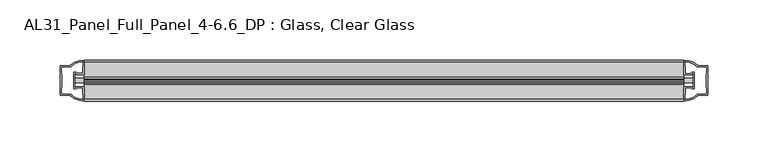
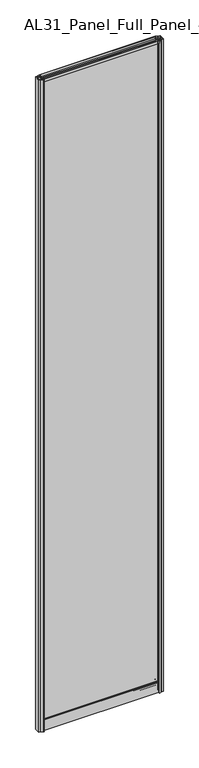
"""IFC4 building model written with IfcOpenShell, lengths in millimetres: plate geometry, AL31_Panel_Full_Panel_4-6.6_DP : Glass, Clear Glass."""

from ifc_helpers import new_model, si_unit, point, frame, frame_2d, origin, origin_with_axes, place, context, project, spatial, polyline, circle_curve, trimmed, segment, composite_curve, outline, extrude, source, transform, mapped, element, save


def al31_panel_full_panel_4_6_6_dp_glass_clear_glass_b260c113(model_context):
    return source(origin(), model_context, "Body", "SweptSolid", [
        extrude(outline(composite_curve([segment(trimmed(circle_curve(frame_2d((-19.957, 2961.8572926)), 3.0), [point((-18.457, 2964.4553688))], [point((-17.4851586, 2960.1572926))], False, "CARTESIAN"), True, "CONTINUOUS"), segment(polyline([(-17.4851586, 2960.1572926), (-4.157, 2960.1572926), (-4.157, 2969.5572926), (-2.857, 2969.5572926), (-2.857, 2959.0572926), (-13.1545312, 2959.0572926), (-13.1545312, 2958.2572926), (-13.6601218, 2956.3357964), (-13.6601218, 2951.6572926), (-14.857, 2951.6572926), (-14.857, 2956.9912672), (-14.357, 2957.8572926), (-14.357, 2959.0572926), (-25.357, 2959.0572926), (-25.357, 2957.8572926), (-24.857, 2956.9912672), (-24.857, 2951.6572926), (-26.0538782, 2951.6572926), (-26.0538782, 2956.3357964), (-26.5594688, 2958.2572926), (-26.5594688, 2959.0572926), (-36.857, 2959.0572926), (-36.857, 2969.5572926), (-35.557, 2969.5572926), (-35.557, 2960.1572926), (-22.4288414, 2960.1572926)]), True, "CONTINUOUS"), segment(trimmed(circle_curve(frame_2d((-19.957, 2961.8572926)), 3.0), [point((-22.4288414, 2960.1572926))], [point((-21.457, 2964.4553688))], False, "CARTESIAN"), True, "CONTINUOUS"), segment(polyline([(-21.457, 2964.4553688), (-20.907, 2963.5027409)]), True, "CONTINUOUS"), segment(trimmed(circle_curve(frame_2d((-19.957, 2961.8572926)), 1.9), [point((-20.907, 2963.5027409))], [point((-19.007, 2963.5027409))], True, "CARTESIAN"), True, "CONTINUOUS"), segment(polyline([(-19.007, 2963.5027409), (-18.457, 2964.4553688)]), True, "CONTINUOUS")], self_intersect=False)), frame((-249.2904517, 0.0, 0.0), z_axis=(1.0, 0.0, 0.0), x_axis=(0.0, 1.0, 0.0)), (0.0, 0.0, 1.0), 498.5809034),
        extrude(outline(composite_curve([segment(polyline([(-11.457, 35.8), (-28.257, 35.8)]), True, "CONTINUOUS"), segment(trimmed(circle_curve(frame_2d((-28.257, 34.8)), 1.0), [point((-28.257, 35.8))], [point((-29.257, 34.8))], True, "CARTESIAN"), True, "CONTINUOUS"), segment(polyline([(-29.257, 34.8), (-29.257, 33.5), (-24.8569697, 33.5), (-24.8569697, 32.3), (-29.257, 32.3), (-29.257, 0.0), (-30.457, 0.0), (-30.457, 47.3)]), True, "CONTINUOUS"), segment(trimmed(circle_curve(frame_2d((-28.457, 47.3)), 2.0), [point((-30.457, 47.3))], [point((-28.457, 49.3))], False, "CARTESIAN"), True, "CONTINUOUS"), segment(polyline([(-28.457, 49.3), (-24.857, 49.3), (-24.857, 41.9), (-14.857, 41.9), (-14.857, 49.3), (-11.257, 49.3)]), True, "CONTINUOUS"), segment(trimmed(circle_curve(frame_2d((-11.257, 47.3)), 2.0), [point((-11.257, 49.3))], [point((-9.257, 47.3))], False, "CARTESIAN"), True, "CONTINUOUS"), segment(polyline([(-9.257, 47.3), (-9.257, 0.0), (-10.457, 0.0), (-10.457, 32.3), (-14.8569697, 32.3), (-14.8569697, 33.5), (-10.457, 33.5), (-10.457, 34.8)]), True, "CONTINUOUS"), segment(trimmed(circle_curve(frame_2d((-11.457, 34.8)), 1.0), [point((-10.457, 34.8))], [point((-11.457, 35.8))], True, "CARTESIAN"), True, "CONTINUOUS")], self_intersect=False), holes=[composite_curve([segment(polyline([(-26.3594688, 41.8), (-26.3594688, 42.9)]), True, "CONTINUOUS"), segment(trimmed(circle_curve(frame_2d((-25.1594688, 42.9)), 1.2), [point((-26.3594688, 42.9))], [point((-25.9768184, 43.7786009))], False, "CARTESIAN"), True, "CONTINUOUS"), segment(polyline([(-25.9768184, 43.7786009), (-25.9768184, 48.2), (-28.257, 48.2)]), True, "CONTINUOUS"), segment(trimmed(circle_curve(frame_2d((-28.257, 47.2)), 1.0), [point((-28.257, 48.2))], [point((-29.257, 47.2))], True, "CARTESIAN"), True, "CONTINUOUS"), segment(polyline([(-29.257, 47.2), (-29.257, 37.04), (-22.6578965, 37.04), (-22.6578965, 38.0725806), (-21.6940508, 38.0725806)]), True, "CONTINUOUS"), segment(trimmed(circle_curve(frame_2d((-19.857, 39.1)), 2.1048387), [point((-21.6940508, 38.0725806))], [point((-18.0199492, 38.0725806))], True, "CARTESIAN"), True, "CONTINUOUS"), segment(polyline([(-18.0199492, 38.0725806), (-17.0561035, 38.0725806), (-17.0561035, 37.04), (-10.457, 37.04), (-10.457, 47.2)]), True, "CONTINUOUS"), segment(trimmed(circle_curve(frame_2d((-11.457, 47.2)), 1.0), [point((-10.457, 47.2))], [point((-11.457, 48.2))], True, "CARTESIAN"), True, "CONTINUOUS"), segment(polyline([(-11.457, 48.2), (-13.7371816, 48.2), (-13.7371816, 43.5786009)]), True, "CONTINUOUS"), segment(trimmed(circle_curve(frame_2d((-14.5545312, 42.7)), 1.2), [point((-13.7371816, 43.5786009))], [point((-13.3545312, 42.7))], False, "CARTESIAN"), True, "CONTINUOUS"), segment(polyline([(-13.3545312, 42.7), (-13.3545312, 41.8)]), True, "CONTINUOUS"), segment(trimmed(circle_curve(frame_2d((-14.3545312, 41.8)), 1.0), [point((-13.3545312, 41.8))], [point((-14.3545312, 40.8))], False, "CARTESIAN"), True, "CONTINUOUS"), segment(polyline([(-14.3545312, 40.8), (-17.0561035, 40.8), (-17.0561035, 39.7274194), (-18.0199492, 39.7274194)]), True, "CONTINUOUS"), segment(trimmed(circle_curve(frame_2d((-19.857, 38.7)), 2.1048387), [point((-18.0199492, 39.7274194))], [point((-21.6940508, 39.7274194))], True, "CARTESIAN"), True, "CONTINUOUS"), segment(polyline([(-21.6940508, 39.7274194), (-22.6578965, 39.7274194), (-22.6578965, 40.8), (-25.3594688, 40.8)]), True, "CONTINUOUS"), segment(trimmed(circle_curve(frame_2d((-25.3594688, 41.8)), 1.0), [point((-25.3594688, 40.8))], [point((-26.3594688, 41.8))], False, "CARTESIAN"), True, "CONTINUOUS")], self_intersect=False)]), frame((-249.2904517, 0.0, 0.0), z_axis=(1.0, 0.0, 0.0), x_axis=(0.0, 1.0, 0.0)), (0.0, 0.0, 1.0), 498.5809034),
        extrude(outline(composite_curve([segment(polyline([(-257.1318731, -25.757), (-255.9318731, -25.757), (-255.9318731, -24.857), (-249.2904517, -24.857), (-249.2904517, -36.8571453)]), True, "CONTINUOUS"), segment(trimmed(circle_curve(frame_2d((-248.9258001, -16.8604698)), 20.0), [point((-249.2904517, -36.8571453))], [point((-260.6462869, -33.0663388))], False, "CARTESIAN"), True, "CONTINUOUS"), segment(polyline([(-260.6462869, -33.0663388), (-260.6462869, -32.1849343), (-269.2904517, -32.1849343), (-269.2904517, -7.4849343), (-260.6462869, -7.4849343), (-260.6462869, -6.6474751)]), True, "CONTINUOUS"), segment(trimmed(circle_curve(frame_2d((-248.9258001, -22.8533441)), 20.0), [point((-260.6462869, -6.6474751))], [point((-249.2904517, -2.8566686))], False, "CARTESIAN"), True, "CONTINUOUS"), segment(polyline([(-249.2904517, -2.8566686), (-249.2904517, -14.857), (-255.9318731, -14.857), (-255.9318731, -13.957), (-257.1318731, -13.957), (-257.1318731, -25.757)]), True, "CONTINUOUS")], self_intersect=False), holes=[composite_curve([segment(trimmed(circle_curve(frame_2d((-256.1318731, -14.157)), 1.5), [point((-256.1318731, -12.657))], [point((-254.7766188, -13.5141269))], False, "CARTESIAN"), True, "CONTINUOUS"), segment(polyline([(-254.7766188, -13.5141269), (-251.0318731, -13.5141269), (-251.0318731, -8.917777), (-250.5925332, -7.8571168), (-250.5925332, -4.2070183)]), True, "CONTINUOUS"), segment(trimmed(circle_curve(frame_2d((-248.9258001, -22.8325921)), 18.7), [point((-250.5925332, -4.2070183))], [point((-258.9325779, -7.0353013))], True, "CARTESIAN"), True, "CONTINUOUS"), segment(trimmed(circle_curve(frame_2d((-260.7318731, -6.9849343)), 1.8), [point((-258.9325779, -7.0353013))], [point((-260.7318731, -8.7849343))], False, "CARTESIAN"), True, "CONTINUOUS"), segment(polyline([(-260.7318731, -8.7849343), (-267.8732944, -8.7849343), (-267.8732944, -13.3550394), (-267.4318731, -14.417777), (-267.4318731, -25.2520916), (-267.9318731, -26.2449987), (-267.9318731, -30.8849343), (-260.7318731, -30.8849343)]), True, "CONTINUOUS"), segment(trimmed(circle_curve(frame_2d((-260.7318731, -32.6849343)), 1.8), [point((-260.7318731, -30.8849343))], [point((-258.9325779, -32.6345673))], False, "CARTESIAN"), True, "CONTINUOUS"), segment(trimmed(circle_curve(frame_2d((-248.9258001, -16.8372765)), 18.7), [point((-258.9325779, -32.6345673))], [point((-250.5925332, -35.4628503))], True, "CARTESIAN"), True, "CONTINUOUS"), segment(polyline([(-250.5925332, -35.4628503), (-250.5925332, -31.8127518), (-251.0318731, -30.7520916), (-251.0318731, -26.1561308), (-254.7567213, -26.1561308)]), True, "CONTINUOUS"), segment(trimmed(circle_curve(frame_2d((-256.1318731, -25.557)), 1.5), [point((-254.7567213, -26.1561308))], [point((-256.1318731, -27.057))], False, "CARTESIAN"), True, "CONTINUOUS"), segment(polyline([(-256.1318731, -27.057), (-258.4318731, -27.057), (-258.4318731, -12.657), (-256.1318731, -12.657)]), True, "CONTINUOUS")], self_intersect=False)]), origin_with_axes(), (0.0, 0.0, 1.0), 2969.5572926),
        extrude(outline(composite_curve([segment(polyline([(257.1318731, -13.957), (255.9318731, -13.957), (255.9318731, -14.857), (249.2904517, -14.857), (249.2904517, -2.8568547)]), True, "CONTINUOUS"), segment(trimmed(circle_curve(frame_2d((248.9258001, -22.8535302)), 20.0), [point((249.2904517, -2.8568547))], [point((260.6462869, -6.6476612))], False, "CARTESIAN"), True, "CONTINUOUS"), segment(polyline([(260.6462869, -6.6476612), (260.6462869, -7.5290657), (269.2904517, -7.5290657), (269.2904517, -32.2290657), (260.6462869, -32.2290657), (260.6462869, -33.0665249)]), True, "CONTINUOUS"), segment(trimmed(circle_curve(frame_2d((248.9258001, -16.8606559)), 20.0), [point((260.6462869, -33.0665249))], [point((249.2904517, -36.8573314))], False, "CARTESIAN"), True, "CONTINUOUS"), segment(polyline([(249.2904517, -36.8573314), (249.2904517, -24.857), (255.9318731, -24.857), (255.9318731, -25.757), (257.1318731, -25.757), (257.1318731, -13.957)]), True, "CONTINUOUS")], self_intersect=False), holes=[composite_curve([segment(trimmed(circle_curve(frame_2d((256.1318731, -25.557)), 1.5), [point((256.1318731, -27.057))], [point((254.7766188, -26.1998731))], False, "CARTESIAN"), True, "CONTINUOUS"), segment(polyline([(254.7766188, -26.1998731), (251.0318731, -26.1998731), (251.0318731, -30.796223), (250.5925332, -31.8568832), (250.5925332, -35.5069817)]), True, "CONTINUOUS"), segment(trimmed(circle_curve(frame_2d((248.9258001, -16.8814079)), 18.7), [point((250.5925332, -35.5069817))], [point((258.9325779, -32.6786987))], True, "CARTESIAN"), True, "CONTINUOUS"), segment(trimmed(circle_curve(frame_2d((260.7318731, -32.7290657)), 1.8), [point((258.9325779, -32.6786987))], [point((260.7318731, -30.9290657))], False, "CARTESIAN"), True, "CONTINUOUS"), segment(polyline([(260.7318731, -30.9290657), (267.8732944, -30.9290657), (267.8732944, -26.3589606), (267.4318731, -25.296223), (267.4318731, -14.4619084), (267.9318731, -13.4690013), (267.9318731, -8.8290657), (260.7318731, -8.8290657)]), True, "CONTINUOUS"), segment(trimmed(circle_curve(frame_2d((260.7318731, -7.0290657)), 1.8), [point((260.7318731, -8.8290657))], [point((258.9325779, -7.0794327))], False, "CARTESIAN"), True, "CONTINUOUS"), segment(trimmed(circle_curve(frame_2d((248.9258001, -22.8767235)), 18.7), [point((258.9325779, -7.0794327))], [point((250.5925332, -4.2511497))], True, "CARTESIAN"), True, "CONTINUOUS"), segment(polyline([(250.5925332, -4.2511497), (250.5925332, -7.9012482), (251.0318731, -8.9619084), (251.0318731, -13.5578692), (254.7567213, -13.5578692)]), True, "CONTINUOUS"), segment(trimmed(circle_curve(frame_2d((256.1318731, -14.157)), 1.5), [point((254.7567213, -13.5578692))], [point((256.1318731, -12.657))], False, "CARTESIAN"), True, "CONTINUOUS"), segment(polyline([(256.1318731, -12.657), (258.4318731, -12.657), (258.4318731, -27.057), (256.1318731, -27.057)]), True, "CONTINUOUS")], self_intersect=False)]), origin_with_axes(), (0.0, 0.0, 1.0), 2969.5572926),
        extrude(outline(polyline([(257.1318731, -17.857), (257.1318731, -21.857), (-257.1318731, -21.857), (-257.1318731, -17.857), (257.1318731, -17.857)])), frame((0.0, 0.0, 41.9), z_axis=(0.0, 0.0, 1.0), x_axis=(1.0, 0.0, 0.0)), (0.0, 0.0, 1.0), 2917.1572926),
    ])


if __name__ == "__main__":
    model = new_model("IFC4")
    model_context = context("Model", 3, world=origin())
    ifc_project = project(units=[si_unit("LENGTHUNIT", "METRE", prefix="MILLI")], contexts=[model_context])
    site = spatial("IfcSite", under=ifc_project)
    building = spatial("IfcBuilding", under=site)
    placement = place(None, origin())
    al31_panel_full_panel_4_6_6_dp_glass_clear_glass_shape = al31_panel_full_panel_4_6_6_dp_glass_clear_glass_b260c113(model_context)
    element("IfcPlate", 1, ObjectType="AL31_Panel_Full_Panel_4-6.6_DP : Glass, Clear Glass", at=placement, inside=building, context=model_context, shape_type="MappedRepresentation", body=[
        mapped(al31_panel_full_panel_4_6_6_dp_glass_clear_glass_shape, transform((0.0, 0.0, 0.0), x_axis=(1.0, 0.0, 0.0), y_axis=(0.0, 1.0, 0.0), z_axis=(0.0, 0.0, 1.0))),
    ])
    save(model, "model.ifc")
